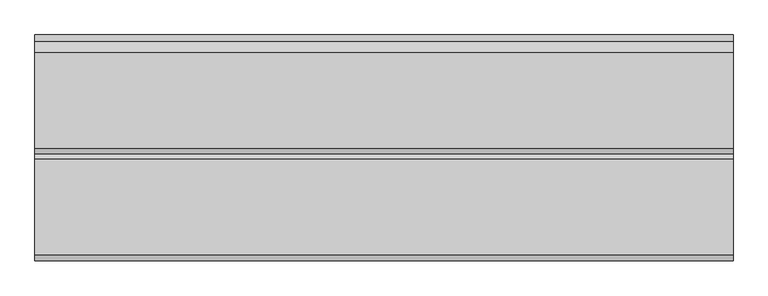
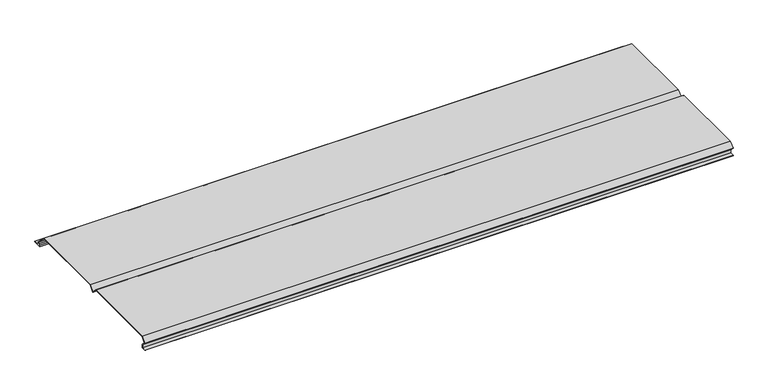
"""IFC4 building model written with IfcOpenShell, lengths in millimetres: proxy geometry."""

from ifc_helpers import new_model, si_unit, frame, origin, place, context, project, spatial, polyline, outline, extrude, source, transform, mapped, element, save


def generic_models_a4029848(model_context):
    return source(origin(), model_context, "Body", "SweptSolid", [
        extrude(outline(polyline([(0.0, 14.0), (8.0, 22.0), (148.0, 22.0), (156.0, 14.0), (164.0, 22.0), (304.0, 22.0), (320.0, 6.0), (320.0, 1.6), (315.8, 1.6), (315.8, 0.8), (330.0, 0.8), (330.0, 0.0), (315.0, 0.0), (315.0, 2.4), (319.2, 2.4), (319.2, 5.6686292), (303.6686292, 21.2), (164.3313708, 21.2), (156.0, 12.8686292), (147.6686292, 21.2), (8.3313708, 21.2), (1.1313708, 14.0), (7.6367532, 7.4946176), (7.6367532, 0.8), (0.0, 0.8), (0.0, 1.6), (6.8367532, 1.6), (6.8367532, 7.1632468), (0.0, 14.0)])), frame((0.0, 0.0, 0.0), z_axis=(1.0, 0.0, 0.0), x_axis=(0.0, 1.0, 0.0)), (0.0, 0.0, 1.0), 1020.0),
    ])


if __name__ == "__main__":
    model = new_model("IFC4")
    model_context = context("Model", 3, world=origin())
    ifc_project = project(units=[si_unit("LENGTHUNIT", "METRE", prefix="MILLI")], contexts=[model_context])
    site = spatial("IfcSite", under=ifc_project)
    building = spatial("IfcBuilding", under=site)
    placement = place(None, origin())
    generic_models_shape = generic_models_a4029848(model_context)
    element("IfcBuildingElementProxy", 1, Name="Generic Models", at=placement, inside=building, context=model_context, shape_type="MappedRepresentation", body=[
        mapped(generic_models_shape, transform((0.0, 0.0, 0.0), x_axis=(1.0, 0.0, 0.0), y_axis=(0.0, 1.0, 0.0), z_axis=(0.0, 0.0, 1.0))),
    ])
    save(model, "model.ifc")
